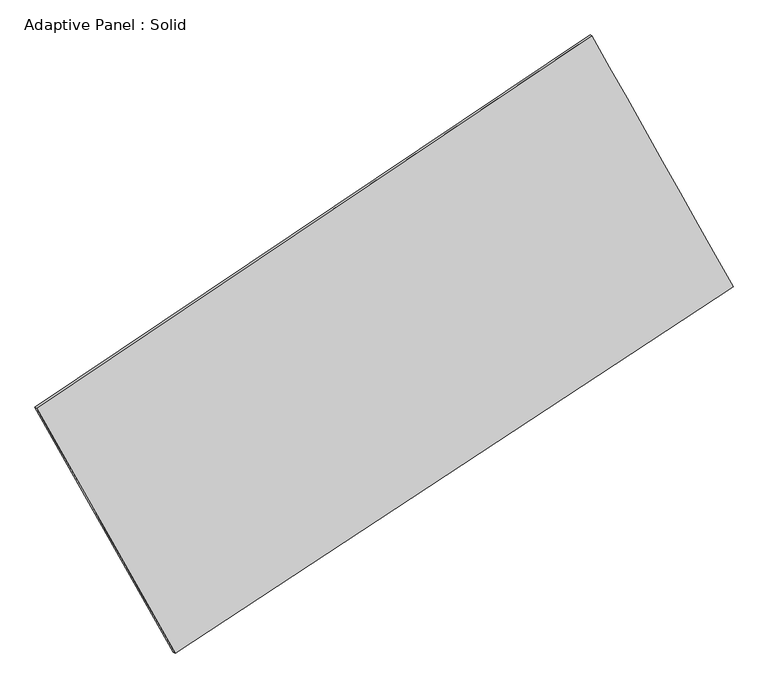
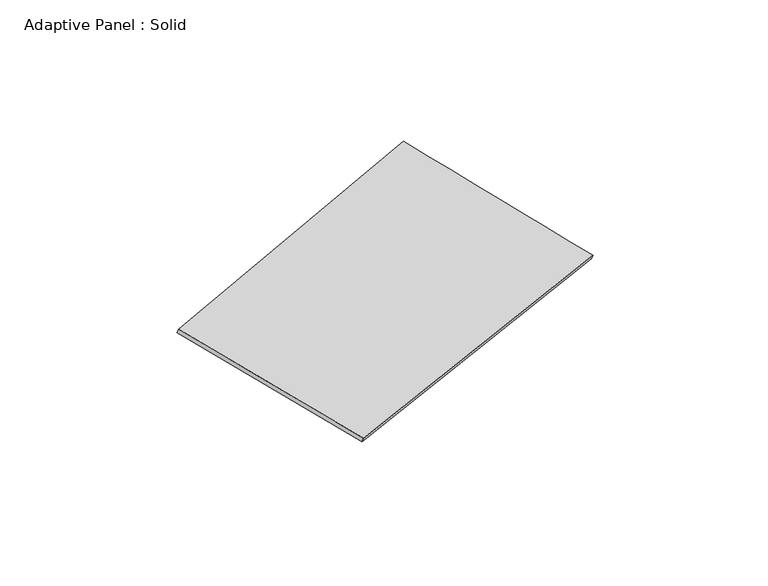
"""IFC4 building model written with IfcOpenShell, lengths in millimetres: plate geometry, Adaptive Panel : Solid."""

from ifc_helpers import new_model, si_unit, frame, origin, place, context, project, spatial, source, transform, mapped, element, save
from ifc_brep_helpers import plane_surface, spline_surface, advanced_brep


def adaptive_panel_solid_4caefcb2(model_context):
    return source(origin(), model_context, "Body", "AdvancedBrep", [
        advanced_brep(
        [(1148.5048742, 2588.000263, 683.2246912), (-3662.1575856, -639.0204029, 1723.8154304), (-3647.4912298, -645.4004964, 1771.1883384), (1163.17123, 2581.6201695, 730.5975993), (-2462.1076537, -2761.0794913, 1080.8328297), (-2447.4412978, -2767.4595847, 1128.2057377), (2372.469787, 411.8510583, -2.7504312), (2387.1361428, 405.4709649, 44.6224769)],
        [
            (0, 1),
            (1, 2),
            (2, 3),
            (3, 0),
            (1, 4),
            (4, 5),
            (5, 2),
            (4, 6),
            (6, 7),
            (7, 5),
            (6, 0),
            (3, 7),
        ],
        [
            plane_surface(frame((-1256.8263557, 974.48993, 1203.5200608), z_axis=(-0.4969330509000035, 0.8262947442117974, 0.2651311724621893), x_axis=(-0.8173770388465184, -0.5483013240419096, 0.17680620583109152))),
            plane_surface(frame((-3062.1326197, -1700.0499471, 1402.3241301), z_axis=(-0.8300016709501794, -0.5257799507315332, 0.1861522753786718), x_axis=(0.4759749530662687, -0.8416707905746532, -0.25502573271535084))),
            plane_surface(frame((-44.8189333, -1174.6142165, 539.0411993), z_axis=(0.4874635780095554, -0.8325780540279476, -0.2630457071787302), x_axis=(0.8217273336201977, 0.5392992029324921, -0.18417534823591156))),
            plane_surface(frame((1760.4873306, 1499.9256607, 340.23713), z_axis=(0.8301091763664288, 0.5255893190295348, -0.1862112322990197), x_axis=(-0.47270803278500995, 0.8404515511610933, 0.2649307567864448))),
            spline_surface(1, 1, [[(-3647.4912298, -645.4004964, 1771.1883384), (1163.17123, 2581.6201695, 730.5975993)], [(-2447.4412978, -2767.4595847, 1128.2057377), (2387.1361428, 405.4709649, 44.6224769)]], [2, 2], [2, 2], [0.0, 1.0], [0.0, 1.0]),
            spline_surface(1, 1, [[(2372.469787, 411.8510583, -2.7504312), (1148.5048742, 2588.000263, 683.2246912)], [(-2462.1076537, -2761.0794913, 1080.8328297), (-3662.1575856, -639.0204029, 1723.8154304)]], [2, 2], [2, 2], [0.0, 1.0], [0.0, 1.0]),
        ],
        [
            (0, [[1, 2, 3, 4]]),
            (1, [[5, 6, 7, -2]]),
            (2, [[8, 9, 10, -6]]),
            (3, [[11, -4, 12, -9]]),
            (4, [[-3, -7, -10, -12]]),
            (5, [[-11, -8, -5, -1]]),
        ],
    ),
    ])


if __name__ == "__main__":
    model = new_model("IFC4")
    model_context = context("Model", 3, world=origin())
    ifc_project = project(units=[si_unit("LENGTHUNIT", "METRE", prefix="MILLI")], contexts=[model_context])
    site = spatial("IfcSite", under=ifc_project)
    building = spatial("IfcBuilding", under=site)
    placement = place(None, origin())
    adaptive_panel_solid_shape = adaptive_panel_solid_4caefcb2(model_context)
    element("IfcPlate", 1, ObjectType="Adaptive Panel : Solid", at=placement, inside=building, context=model_context, shape_type="MappedRepresentation", body=[
        mapped(adaptive_panel_solid_shape, transform((0.0, 0.0, 0.0), x_axis=(1.0, 0.0, 0.0), y_axis=(0.0, 1.0, 0.0), z_axis=(0.0, 0.0, 1.0))),
    ])
    save(model, "model.ifc")
